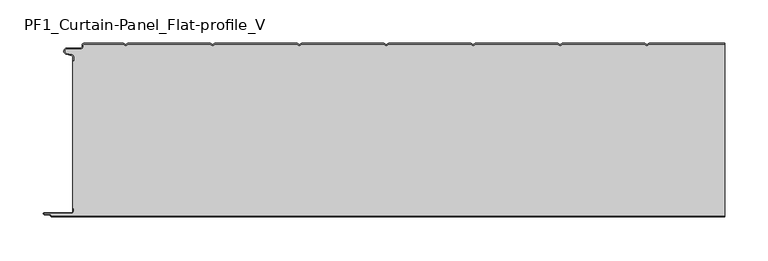
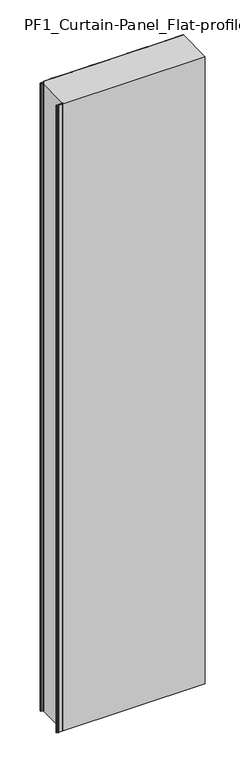
"""IFC4 building model written with IfcOpenShell, lengths in millimetres: plate geometry, PF1_Curtain-Panel_Flat-profile_V."""

import ifcopenshell
import ifcopenshell.guid

model = None  # the IFC model being written
_history = None  # IfcOwnerHistory: only IFC2X3 demands one
_inside = {}  # id of a spatial element -> (the spatial element, [elements in it])
_under = {}  # id of a project, library or spatial element -> (it, [spatial elements below it])
_declared = {}  # id of a project -> (the project, [libraries it declares])
_typed = {}  # id of a type object -> (the type object, [elements of that type])
_made_of = {}  # id of a material, layer set ... -> (it, [elements and type objects made of it])


def new_model(schema):
    """Start an empty IFC model of exactly this schema.

    Asked for "IFC4X3", IfcOpenShell would pick the latest addendum, in which some entities
    have other attributes; the version numbers below select the first issue.
    IFC2X3 requires an IfcOwnerHistory on every rooted entity: one is made here for all.
    """
    global model, _history
    if schema == "IFC4X3":
        model = ifcopenshell.file(schema_version=(4, 3, 0, 0))
    else:
        model = ifcopenshell.file(schema=schema)
    _inside.clear()
    _under.clear()
    _declared.clear()
    _typed.clear()
    _made_of.clear()
    _history = None
    if model.schema == "IFC2X3":
        org = make("IfcOrganization", Name="unknown")
        user = make(
            "IfcPersonAndOrganization",
            ThePerson=make("IfcPerson", FamilyName="unknown"),
            TheOrganization=org,
        )
        app = make(
            "IfcApplication",
            ApplicationDeveloper=org,
            Version="unknown",
            ApplicationFullName="unknown",
            ApplicationIdentifier="unknown",
        )
        _history = make(
            "IfcOwnerHistory",
            OwningUser=user,
            OwningApplication=app,
            ChangeAction="ADDED",
            CreationDate=0,
        )
    return model


def make(cls, **values):
    """One entity of the class cls with the attributes given. An attribute that is None is left unset."""
    return model.create_entity(
        cls, **{name: value for name, value in values.items() if value is not None}
    )


def rooted(cls, **values):
    """An entity with a GlobalId (a new one), such as an element, a storey or a relation."""
    return make(cls, GlobalId=ifcopenshell.guid.new(), OwnerHistory=_history, **values)


def si_unit(unit_type, name, prefix=None):
    """IfcSIUnit, for example si_unit("LENGTHUNIT", "METRE", prefix="MILLI")."""
    return make("IfcSIUnit", UnitType=unit_type, Prefix=prefix, Name=name)


def assignment(units):
    """IfcUnitAssignment: the units of a project."""
    return None if units is None else make("IfcUnitAssignment", Units=units)


def point(xyz):
    """IfcCartesianPoint."""
    return None if xyz is None else make("IfcCartesianPoint", Coordinates=xyz)


def direction(xyz):
    """IfcDirection."""
    return None if xyz is None else make("IfcDirection", DirectionRatios=xyz)


def frame(location, z_axis=None, x_axis=None):
    """IfcAxis2Placement3D, a coordinate frame: its origin and axes. An axis left out is left unset."""
    return make(
        "IfcAxis2Placement3D",
        Location=point(location),
        Axis=direction(z_axis),
        RefDirection=direction(x_axis),
    )


def frame_2d(location, x_axis=None):
    """IfcAxis2Placement2D, a coordinate frame in the plane: its origin and x axis."""
    return make(
        "IfcAxis2Placement2D", Location=point(location), RefDirection=direction(x_axis)
    )


def origin():
    """The frame at (0, 0, 0) with its axes left unset."""
    return frame((0.0, 0.0, 0.0))


def origin_with_axes():
    """The frame at (0, 0, 0) with the z axis (0, 0, 1) and the x axis (1, 0, 0) written out."""
    return frame((0.0, 0.0, 0.0), z_axis=(0.0, 0.0, 1.0), x_axis=(1.0, 0.0, 0.0))


def place(relative_to, where):
    """IfcLocalPlacement: puts the frame where relative to a parent placement (None: the world)."""
    return make(
        "IfcLocalPlacement", PlacementRelTo=relative_to, RelativePlacement=where
    )


def context(
    kind, dimensions, precision=None, world=None, true_north=None, identifier=None
):
    """IfcGeometricRepresentationContext, for example the 3D "Model" context."""
    return make(
        "IfcGeometricRepresentationContext",
        ContextIdentifier=identifier,
        ContextType=kind,
        CoordinateSpaceDimension=dimensions,
        Precision=precision,
        WorldCoordinateSystem=world,
        TrueNorth=true_north,
    )


def project(units=None, contexts=None):
    """IfcProject with its units and contexts."""
    return rooted(
        "IfcProject",
        Name="project",
        RepresentationContexts=contexts,
        UnitsInContext=assignment(units),
    )


def spatial(cls, under=None, at=None, **own):
    """A site, building, storey or space (cls), placed at a placement, below another one or the project."""
    s = rooted(cls, ObjectPlacement=at, **own)
    if under is not None:
        _under.setdefault(under.id(), (under, []))[1].append(s)
    return s


def polyline(points):
    """IfcPolyline through the points."""
    return make("IfcPolyline", Points=[point(p) for p in points])


def circle_curve(where, radius):
    """IfcCircle in the frame where."""
    return make("IfcCircle", Position=where, Radius=radius)


def trimmed(basis, trim1, trim2, sense, master):
    """IfcTrimmedCurve: the piece of a basis curve between two trims."""
    return make(
        "IfcTrimmedCurve",
        BasisCurve=basis,
        Trim1=trim1,
        Trim2=trim2,
        SenseAgreement=sense,
        MasterRepresentation=master,
    )


def segment(curve, same_sense, transition):
    """IfcCompositeCurveSegment."""
    return make(
        "IfcCompositeCurveSegment",
        Transition=transition,
        SameSense=same_sense,
        ParentCurve=curve,
    )


def composite_curve(segments, self_intersect=None):
    """IfcCompositeCurve: segments joined end to end."""
    return make("IfcCompositeCurve", Segments=segments, SelfIntersect=self_intersect)


def outline(outer, holes=None, kind="AREA"):
    """IfcArbitraryClosedProfileDef: a profile drawn as a closed curve; with holes, ...WithVoids."""
    if holes is None:
        return make("IfcArbitraryClosedProfileDef", ProfileType=kind, OuterCurve=outer)
    return make(
        "IfcArbitraryProfileDefWithVoids",
        ProfileType=kind,
        OuterCurve=outer,
        InnerCurves=holes,
    )


def extrude(swept, where, along, depth):
    """IfcExtrudedAreaSolid: the profile swept, set in the frame where, extruded along a direction by depth."""
    return make(
        "IfcExtrudedAreaSolid",
        SweptArea=swept,
        Position=where,
        ExtrudedDirection=direction(along),
        Depth=depth,
    )


def shape(context_of_items, identifier, shape_type, items):
    """IfcShapeRepresentation: the items that make up one representation, for example the "Body"."""
    return make(
        "IfcShapeRepresentation",
        ContextOfItems=context_of_items,
        RepresentationIdentifier=identifier,
        RepresentationType=shape_type,
        Items=items,
    )


def source(mapping_origin, context_of_items, identifier, shape_type, items):
    """IfcRepresentationMap: a shape defined once, which mapped items show again and again."""
    return make(
        "IfcRepresentationMap",
        MappingOrigin=mapping_origin,
        MappedRepresentation=shape(context_of_items, identifier, shape_type, items),
    )


def transform(
    local_origin,
    x_axis=None,
    y_axis=None,
    z_axis=None,
    scale=None,
    scale2=None,
    scale3=None,
    uniform=True,
):
    """IfcCartesianTransformationOperator3D, or its non-uniform kind. x_axis, y_axis, z_axis: its Axis1, 2, 3."""
    if uniform:
        return make(
            "IfcCartesianTransformationOperator3D",
            Axis1=direction(x_axis),
            Axis2=direction(y_axis),
            LocalOrigin=point(local_origin),
            Scale=scale,
            Axis3=direction(z_axis),
        )
    return make(
        "IfcCartesianTransformationOperator3DnonUniform",
        Axis1=direction(x_axis),
        Axis2=direction(y_axis),
        LocalOrigin=point(local_origin),
        Scale=scale,
        Axis3=direction(z_axis),
        Scale2=scale2,
        Scale3=scale3,
    )


def mapped(mapping_source, mapping_target):
    """IfcMappedItem: shows the shape of a source again, moved by a transform."""
    return make(
        "IfcMappedItem", MappingSource=mapping_source, MappingTarget=mapping_target
    )


def made_of(thing, what):
    """Note that an element or type object is made of a material, layer set ...; save() writes the relation."""
    if what is not None:
        _made_of.setdefault(what.id(), (what, []))[1].append(thing)
    return thing


def element(
    cls,
    number,
    at=None,
    inside=None,
    cuts=None,
    type_object=None,
    material=None,
    context=None,
    identifier="Body",
    shape_type=None,
    held_by="IfcProductDefinitionShape",
    body=None,
    shapes=None,
    **own,
):
    """One element of the class cls, such as IfcWall. Its Tag is "e" and its number.

    at: its placement. inside: the storey or other place that contains it. cuts: it is an
    opening in that element (IfcRelVoidsElement). A single representation is given by context,
    identifier, shape_type and body (its items); several are given by shapes. held_by: the class
    of the entity that holds the representations. save() writes the other relations.
    """
    e = rooted(cls, Tag="e%d" % number, ObjectPlacement=at, **own)
    if body is not None:
        shapes = [shape(context, identifier, shape_type, body)]
    if shapes is not None:
        e.Representation = make(held_by, Representations=shapes)
    if inside is not None:
        _inside.setdefault(inside.id(), (inside, []))[1].append(e)
    if cuts is not None:
        rooted(
            "IfcRelVoidsElement", RelatingBuildingElement=cuts, RelatedOpeningElement=e
        )
    if type_object is not None:
        _typed.setdefault(type_object.id(), (type_object, []))[1].append(e)
    return made_of(e, material)


def aggregate(whole, parts):
    """IfcRelAggregates: a whole, such as a stair, and the parts it consists of."""
    return rooted("IfcRelAggregates", RelatingObject=whole, RelatedObjects=parts)


def save(model, path):
    """Write the relations noted so far, then the file.

    IfcRelAggregates (storeys below a building ...), IfcRelContainedInSpatialStructure (elements
    in a storey), IfcRelDefinesByType, IfcRelAssociatesMaterial and IfcRelDeclares: one each for
    every whole, place, type object, material and project.
    """
    for whole, parts in _under.values():
        aggregate(whole, parts)
    for where, things in _inside.values():
        rooted(
            "IfcRelContainedInSpatialStructure",
            RelatedElements=things,
            RelatingStructure=where,
        )
    for kind, things in _typed.values():
        rooted("IfcRelDefinesByType", RelatedObjects=things, RelatingType=kind)
    for what, things in _made_of.values():
        rooted("IfcRelAssociatesMaterial", RelatedObjects=things, RelatingMaterial=what)
    for by, libraries in _declared.values():
        rooted("IfcRelDeclares", RelatingContext=by, RelatedDefinitions=libraries)
    model.write(path)


def pf1_curtain_panel_flat_profile_v_38847366(model_context):
    return source(origin(), model_context, "Body", "SweptSolid", [
        extrude(outline(composite_curve([segment(trimmed(circle_curve(frame_2d((-377.0, -15.878557)), 2.0), [point((-375.0, -15.878557))], [point((-376.5500978, -13.9298169))], True, "CARTESIAN"), True, "CONTINUOUS"), segment(polyline([(-376.5500978, -13.9298169), (-382.7098239, -12.507732)]), True, "CONTINUOUS"), segment(trimmed(circle_curve(frame_2d((-381.9, -9.0)), 3.6), [point((-382.7098239, -12.507732))], [point((-381.9, -5.4))], False, "CARTESIAN"), True, "CONTINUOUS"), segment(polyline([(-381.9, -5.4), (-366.4, -5.4)]), True, "CONTINUOUS"), segment(trimmed(circle_curve(frame_2d((-366.4, -3.4)), 2.0), [point((-366.4, -5.4))], [point((-364.4, -3.4))], True, "CARTESIAN"), True, "CONTINUOUS"), segment(polyline([(-364.4, -3.4), (-364.4, -2.0)]), True, "CONTINUOUS"), segment(trimmed(circle_curve(frame_2d((-362.4, -2.0)), 2.0), [point((-364.4, -2.0))], [point((-362.4, 0.0))], False, "CARTESIAN"), True, "CONTINUOUS"), segment(polyline([(-362.4, 0.0), (-317.0999995, 0.0), (-314.4, -1.5588455), (-311.7000005, 0.0), (-217.0999995, 0.0), (-214.4, -1.5588455), (-211.7000005, 0.0), (-117.0999995, 0.0), (-114.4, -1.5588455), (-111.7000005, 0.0), (-17.0999995, 0.0), (-14.4, -1.5588455), (-11.7000005, 0.0), (82.9000005, 0.0), (85.6, -1.5588455), (88.2999995, 0.0), (182.9000005, 0.0), (185.6, -1.5588455), (188.2999995, 0.0), (282.9000005, 0.0), (285.6, -1.5588455), (288.2999995, 0.0), (375.0, 0.0), (375.0, -0.8), (288.5143588, -0.8), (285.6, -2.482606), (282.6856412, -0.8), (188.5143588, -0.8), (185.6, -2.482606), (182.6856412, -0.8), (88.5143588, -0.8), (85.6, -2.482606), (82.6856412, -0.8), (-11.4856412, -0.8), (-14.4, -2.482606), (-17.3143588, -0.8), (-111.4856412, -0.8), (-114.4, -2.482606), (-117.3143588, -0.8), (-211.4856412, -0.8), (-214.4, -2.482606), (-217.3143588, -0.8), (-311.4856412, -0.8), (-314.4, -2.482606), (-317.3143588, -0.8), (-362.4, -0.8)]), True, "CONTINUOUS"), segment(trimmed(circle_curve(frame_2d((-362.4, -2.0)), 1.2), [point((-362.4, -0.8))], [point((-363.6, -2.0))], True, "CARTESIAN"), True, "CONTINUOUS"), segment(polyline([(-363.6, -2.0), (-363.6, -3.4)]), True, "CONTINUOUS"), segment(trimmed(circle_curve(frame_2d((-366.4, -3.4)), 2.8), [point((-363.6, -3.4))], [point((-366.4, -6.2))], False, "CARTESIAN"), True, "CONTINUOUS"), segment(polyline([(-366.4, -6.2), (-381.9, -6.2)]), True, "CONTINUOUS"), segment(trimmed(circle_curve(frame_2d((-381.9, -9.0)), 2.8), [point((-381.9, -6.2))], [point((-382.529863, -11.7282362))], True, "CARTESIAN"), True, "CONTINUOUS"), segment(polyline([(-382.529863, -11.7282362), (-376.370137, -13.150321)]), True, "CONTINUOUS"), segment(trimmed(circle_curve(frame_2d((-377.0, -15.878557)), 2.8), [point((-376.370137, -13.150321))], [point((-374.2, -15.878557))], False, "CARTESIAN"), True, "CONTINUOUS"), segment(polyline([(-374.2, -15.878557), (-374.2, -20.0), (-375.0, -20.0), (-375.0, -15.878557)]), True, "CONTINUOUS")], self_intersect=False)), origin_with_axes(), (0.0, 0.0, 1.0), 3500.0),
        extrude(outline(composite_curve([segment(polyline([(-374.2, -190.0), (-375.0, -190.0), (-375.0, -20.0), (-374.2, -20.0), (-374.2, -15.878557)]), True, "CONTINUOUS"), segment(trimmed(circle_curve(frame_2d((-377.0, -15.878557)), 2.8), [point((-374.2, -15.878557))], [point((-376.370137, -13.1503208))], True, "CARTESIAN"), True, "CONTINUOUS"), segment(polyline([(-376.370137, -13.1503208), (-382.529863, -11.7282362)]), True, "CONTINUOUS"), segment(trimmed(circle_curve(frame_2d((-381.9, -9.0)), 2.8), [point((-382.529863, -11.7282362))], [point((-381.9, -6.2))], False, "CARTESIAN"), True, "CONTINUOUS"), segment(polyline([(-381.9, -6.2), (-366.4, -6.2)]), True, "CONTINUOUS"), segment(trimmed(circle_curve(frame_2d((-366.4, -3.4)), 2.8), [point((-366.4, -6.2))], [point((-363.6, -3.4))], True, "CARTESIAN"), True, "CONTINUOUS"), segment(polyline([(-363.6, -3.4), (-363.6, -2.0)]), True, "CONTINUOUS"), segment(trimmed(circle_curve(frame_2d((-362.4, -2.0)), 1.2), [point((-363.6, -2.0))], [point((-362.4, -0.8))], False, "CARTESIAN"), True, "CONTINUOUS"), segment(polyline([(-362.4, -0.8), (-317.3143588, -0.8), (-314.4, -2.482606), (-311.4856412, -0.8), (-217.3143588, -0.8), (-214.4, -2.482606), (-211.4856412, -0.8), (-117.3143588, -0.8), (-114.4, -2.482606), (-111.4856412, -0.8), (-17.3143588, -0.8), (-14.4, -2.482606), (-11.4856412, -0.8), (82.6856412, -0.8), (85.6, -2.482606), (88.5143588, -0.8), (182.6856412, -0.8), (185.6, -2.482606), (188.5143588, -0.8), (282.6856412, -0.8), (285.6, -2.482606), (288.5143588, -0.8), (375.0, -0.8), (375.0, -199.2), (-399.4, -199.2)]), True, "CONTINUOUS"), segment(trimmed(circle_curve(frame_2d((-399.4, -198.4)), 0.8), [point((-399.4, -199.2))], [point((-400.2, -198.4))], False, "CARTESIAN"), True, "CONTINUOUS"), segment(trimmed(circle_curve(frame_2d((-401.9, -198.6133333)), 1.7133333), [point((-400.2, -198.4))], [point((-401.9, -196.9))], True, "CARTESIAN"), True, "CONTINUOUS"), segment(polyline([(-401.9, -196.9), (-407.8700312, -196.9)]), True, "CONTINUOUS"), segment(trimmed(circle_curve(frame_2d((-407.8700312, -196.6)), 0.3), [point((-407.8700312, -196.9))], [point((-407.8700312, -196.3))], False, "CARTESIAN"), True, "CONTINUOUS"), segment(polyline([(-407.8700312, -196.3), (-377.0, -196.3)]), True, "CONTINUOUS"), segment(trimmed(circle_curve(frame_2d((-377.0, -193.5)), 2.8), [point((-377.0, -196.3))], [point((-374.2, -193.5))], True, "CARTESIAN"), True, "CONTINUOUS"), segment(polyline([(-374.2, -193.5), (-374.2, -190.0)]), True, "CONTINUOUS")], self_intersect=False)), origin_with_axes(), (0.0, 0.0, 1.0), 3500.0),
        extrude(outline(composite_curve([segment(polyline([(-375.0, -190.0), (-374.2, -190.0), (-374.2, -193.5)]), True, "CONTINUOUS"), segment(trimmed(circle_curve(frame_2d((-377.0, -193.5)), 2.8), [point((-374.2, -193.5))], [point((-377.0, -196.3))], False, "CARTESIAN"), True, "CONTINUOUS"), segment(polyline([(-377.0, -196.3), (-407.8700312, -196.3)]), True, "CONTINUOUS"), segment(trimmed(circle_curve(frame_2d((-407.8700312, -196.6)), 0.3), [point((-407.8700312, -196.3))], [point((-407.8700312, -196.9))], True, "CARTESIAN"), True, "CONTINUOUS"), segment(polyline([(-407.8700312, -196.9), (-401.9, -196.9)]), True, "CONTINUOUS"), segment(trimmed(circle_curve(frame_2d((-401.9, -198.6133333)), 1.7133333), [point((-401.9, -196.9))], [point((-400.2, -198.4))], False, "CARTESIAN"), True, "CONTINUOUS"), segment(trimmed(circle_curve(frame_2d((-399.4, -198.4)), 0.8), [point((-400.2, -198.4))], [point((-399.4, -199.2))], True, "CARTESIAN"), True, "CONTINUOUS"), segment(polyline([(-399.4, -199.2), (375.0, -199.2), (375.0, -200.0), (-399.4, -200.0)]), True, "CONTINUOUS"), segment(trimmed(circle_curve(frame_2d((-399.4, -198.4)), 1.6), [point((-399.4, -200.0))], [point((-401.0, -198.4))], False, "CARTESIAN"), True, "CONTINUOUS"), segment(trimmed(circle_curve(frame_2d((-401.9, -198.4)), 0.9), [point((-401.0, -198.4))], [point((-401.9, -197.5))], True, "CARTESIAN"), True, "CONTINUOUS"), segment(polyline([(-401.9, -197.5), (-408.0, -197.5)]), True, "CONTINUOUS"), segment(trimmed(circle_curve(frame_2d((-408.0, -196.5)), 1.0), [point((-408.0, -197.5))], [point((-408.0, -195.5))], False, "CARTESIAN"), True, "CONTINUOUS"), segment(polyline([(-408.0, -195.5), (-377.0, -195.5)]), True, "CONTINUOUS"), segment(trimmed(circle_curve(frame_2d((-377.0, -193.5)), 2.0), [point((-377.0, -195.5))], [point((-375.0, -193.5))], True, "CARTESIAN"), True, "CONTINUOUS"), segment(polyline([(-375.0, -193.5), (-375.0, -190.0)]), True, "CONTINUOUS")], self_intersect=False)), origin_with_axes(), (0.0, 0.0, 1.0), 3500.0),
    ])


if __name__ == "__main__":
    model = new_model("IFC4")
    model_context = context("Model", 3, world=origin())
    ifc_project = project(units=[si_unit("LENGTHUNIT", "METRE", prefix="MILLI")], contexts=[model_context])
    site = spatial("IfcSite", under=ifc_project)
    building = spatial("IfcBuilding", under=site)
    placement = place(None, origin())
    pf1_curtain_panel_flat_profile_v_shape = pf1_curtain_panel_flat_profile_v_38847366(model_context)
    element("IfcPlate", 1, ObjectType="PF1_Curtain-Panel_Flat-profile_V", at=placement, inside=building, context=model_context, shape_type="MappedRepresentation", body=[
        mapped(pf1_curtain_panel_flat_profile_v_shape, transform((0.0, 0.0, 0.0), x_axis=(1.0, 0.0, 0.0), y_axis=(0.0, 1.0, 0.0), z_axis=(0.0, 0.0, 1.0))),
    ])
    save(model, "model.ifc")
